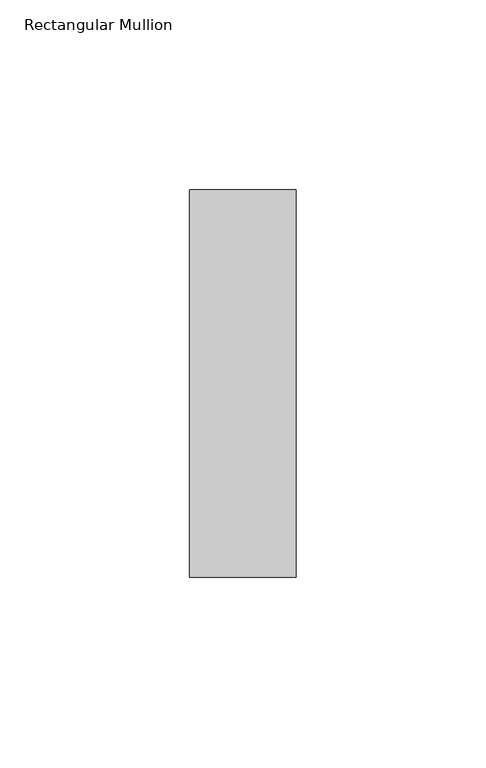
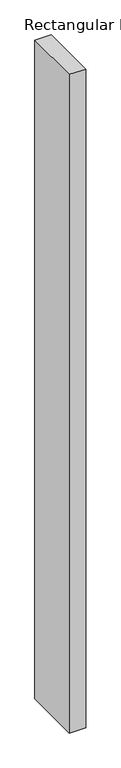
"""IFC4 building model written with IfcOpenShell, lengths in millimetres: member geometry, Rectangular Mullion."""

from ifc_helpers import new_model, si_unit, frame, origin, place, context, project, spatial, polyline, outline, extrude, source, transform, mapped, element, save


def rectangular_mullion_5431ebce(model_context):
    return source(origin(), model_context, "Body", "SweptSolid", [
        extrude(outline(polyline([(0.0, -51.0), (-28.0, -51.0), (-28.0, 51.0), (0.0, 51.0), (0.0, -51.0)])), frame((0.0, 0.0, -1192.0), z_axis=(0.0, 0.0, 1.0), x_axis=(1.0, 0.0, 0.0)), (0.0, 0.0, 1.0), 1192.0),
    ])


if __name__ == "__main__":
    model = new_model("IFC4")
    model_context = context("Model", 3, world=origin())
    ifc_project = project(units=[si_unit("LENGTHUNIT", "METRE", prefix="MILLI")], contexts=[model_context])
    site = spatial("IfcSite", under=ifc_project)
    building = spatial("IfcBuilding", under=site)
    placement = place(None, origin())
    rectangular_mullion_shape = rectangular_mullion_5431ebce(model_context)
    element("IfcMember", 1, ObjectType="Rectangular Mullion", at=placement, inside=building, context=model_context, shape_type="MappedRepresentation", body=[
        mapped(rectangular_mullion_shape, transform((0.0, 0.0, 0.0), x_axis=(1.0, 0.0, 0.0), y_axis=(0.0, 1.0, 0.0), z_axis=(0.0, 0.0, 1.0))),
    ])
    save(model, "model.ifc")
